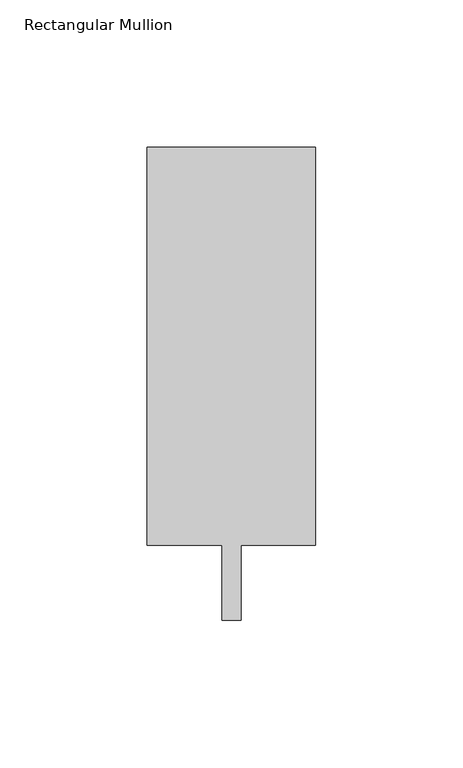
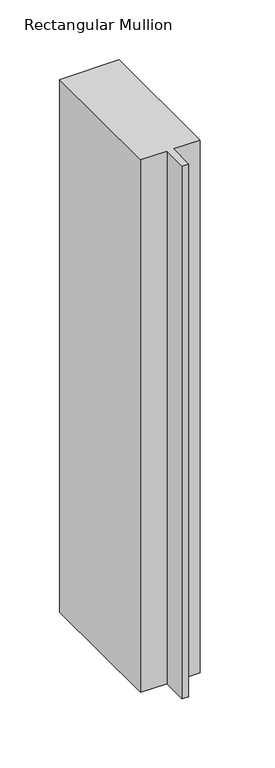
"""IFC4 building model written with IfcOpenShell, lengths in millimetres: member geometry, Rectangular Mullion."""

from ifc_helpers import new_model, si_unit, frame, origin, place, context, project, spatial, polyline, outline, extrude, source, transform, mapped, element, save


def rectangular_mullion_cf97d2ea(model_context):
    return source(origin(), model_context, "Body", "SweptSolid", [
        extrude(outline(polyline([(28.575, 147.6375), (28.575, 12.7), (3.175, 12.7), (3.175, -12.7), (-3.175, -12.7), (-3.175, 12.7), (-28.575, 12.7), (-28.575, 147.6375), (28.575, 147.6375)])), frame((0.0, 0.0, -542.925), z_axis=(0.0, 0.0, 1.0), x_axis=(1.0, 0.0, 0.0)), (0.0, 0.0, 1.0), 542.925),
    ])


if __name__ == "__main__":
    model = new_model("IFC4")
    model_context = context("Model", 3, world=origin())
    ifc_project = project(units=[si_unit("LENGTHUNIT", "METRE", prefix="MILLI")], contexts=[model_context])
    site = spatial("IfcSite", under=ifc_project)
    building = spatial("IfcBuilding", under=site)
    placement = place(None, origin())
    rectangular_mullion_shape = rectangular_mullion_cf97d2ea(model_context)
    element("IfcMember", 1, ObjectType="Rectangular Mullion", at=placement, inside=building, context=model_context, shape_type="MappedRepresentation", body=[
        mapped(rectangular_mullion_shape, transform((0.0, 0.0, 0.0), x_axis=(1.0, 0.0, 0.0), y_axis=(0.0, 1.0, 0.0), z_axis=(0.0, 0.0, 1.0))),
    ])
    save(model, "model.ifc")
